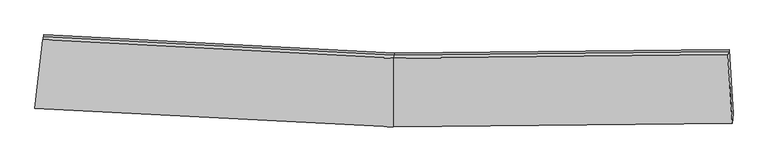
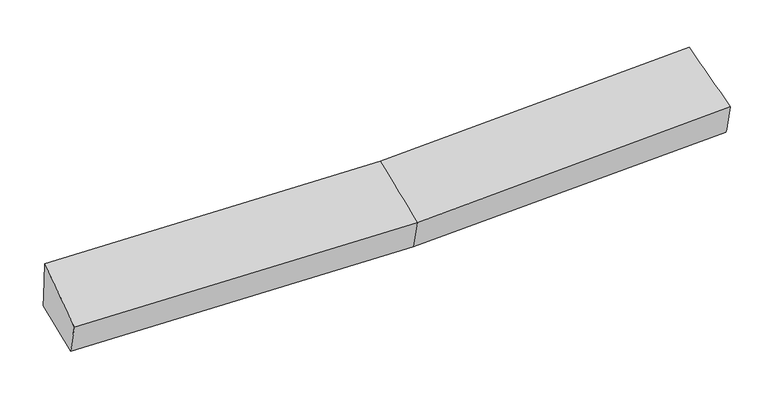
"""IFC4 building model written with IfcOpenShell, lengths in millimetres: proxy geometry."""

import ifcopenshell
import ifcopenshell.guid

model = None  # the IFC model being written
_history = None  # IfcOwnerHistory: only IFC2X3 demands one
_inside = {}  # id of a spatial element -> (the spatial element, [elements in it])
_under = {}  # id of a project, library or spatial element -> (it, [spatial elements below it])
_declared = {}  # id of a project -> (the project, [libraries it declares])
_typed = {}  # id of a type object -> (the type object, [elements of that type])
_made_of = {}  # id of a material, layer set ... -> (it, [elements and type objects made of it])


def new_model(schema):
    """Start an empty IFC model of exactly this schema.

    Asked for "IFC4X3", IfcOpenShell would pick the latest addendum, in which some entities
    have other attributes; the version numbers below select the first issue.
    IFC2X3 requires an IfcOwnerHistory on every rooted entity: one is made here for all.
    """
    global model, _history
    if schema == "IFC4X3":
        model = ifcopenshell.file(schema_version=(4, 3, 0, 0))
    else:
        model = ifcopenshell.file(schema=schema)
    _inside.clear()
    _under.clear()
    _declared.clear()
    _typed.clear()
    _made_of.clear()
    _history = None
    if model.schema == "IFC2X3":
        org = make("IfcOrganization", Name="unknown")
        user = make(
            "IfcPersonAndOrganization",
            ThePerson=make("IfcPerson", FamilyName="unknown"),
            TheOrganization=org,
        )
        app = make(
            "IfcApplication",
            ApplicationDeveloper=org,
            Version="unknown",
            ApplicationFullName="unknown",
            ApplicationIdentifier="unknown",
        )
        _history = make(
            "IfcOwnerHistory",
            OwningUser=user,
            OwningApplication=app,
            ChangeAction="ADDED",
            CreationDate=0,
        )
    return model


def make(cls, **values):
    """One entity of the class cls with the attributes given. An attribute that is None is left unset."""
    return model.create_entity(
        cls, **{name: value for name, value in values.items() if value is not None}
    )


def rooted(cls, **values):
    """An entity with a GlobalId (a new one), such as an element, a storey or a relation."""
    return make(cls, GlobalId=ifcopenshell.guid.new(), OwnerHistory=_history, **values)


def si_unit(unit_type, name, prefix=None):
    """IfcSIUnit, for example si_unit("LENGTHUNIT", "METRE", prefix="MILLI")."""
    return make("IfcSIUnit", UnitType=unit_type, Prefix=prefix, Name=name)


def assignment(units):
    """IfcUnitAssignment: the units of a project."""
    return None if units is None else make("IfcUnitAssignment", Units=units)


def point(xyz):
    """IfcCartesianPoint."""
    return None if xyz is None else make("IfcCartesianPoint", Coordinates=xyz)


def direction(xyz):
    """IfcDirection."""
    return None if xyz is None else make("IfcDirection", DirectionRatios=xyz)


def frame(location, z_axis=None, x_axis=None):
    """IfcAxis2Placement3D, a coordinate frame: its origin and axes. An axis left out is left unset."""
    return make(
        "IfcAxis2Placement3D",
        Location=point(location),
        Axis=direction(z_axis),
        RefDirection=direction(x_axis),
    )


def origin():
    """The frame at (0, 0, 0) with its axes left unset."""
    return frame((0.0, 0.0, 0.0))


def place(relative_to, where):
    """IfcLocalPlacement: puts the frame where relative to a parent placement (None: the world)."""
    return make(
        "IfcLocalPlacement", PlacementRelTo=relative_to, RelativePlacement=where
    )


def context(
    kind, dimensions, precision=None, world=None, true_north=None, identifier=None
):
    """IfcGeometricRepresentationContext, for example the 3D "Model" context."""
    return make(
        "IfcGeometricRepresentationContext",
        ContextIdentifier=identifier,
        ContextType=kind,
        CoordinateSpaceDimension=dimensions,
        Precision=precision,
        WorldCoordinateSystem=world,
        TrueNorth=true_north,
    )


def project(units=None, contexts=None):
    """IfcProject with its units and contexts."""
    return rooted(
        "IfcProject",
        Name="project",
        RepresentationContexts=contexts,
        UnitsInContext=assignment(units),
    )


def spatial(cls, under=None, at=None, **own):
    """A site, building, storey or space (cls), placed at a placement, below another one or the project."""
    s = rooted(cls, ObjectPlacement=at, **own)
    if under is not None:
        _under.setdefault(under.id(), (under, []))[1].append(s)
    return s


def shape(context_of_items, identifier, shape_type, items):
    """IfcShapeRepresentation: the items that make up one representation, for example the "Body"."""
    return make(
        "IfcShapeRepresentation",
        ContextOfItems=context_of_items,
        RepresentationIdentifier=identifier,
        RepresentationType=shape_type,
        Items=items,
    )


def source(mapping_origin, context_of_items, identifier, shape_type, items):
    """IfcRepresentationMap: a shape defined once, which mapped items show again and again."""
    return make(
        "IfcRepresentationMap",
        MappingOrigin=mapping_origin,
        MappedRepresentation=shape(context_of_items, identifier, shape_type, items),
    )


def transform(
    local_origin,
    x_axis=None,
    y_axis=None,
    z_axis=None,
    scale=None,
    scale2=None,
    scale3=None,
    uniform=True,
):
    """IfcCartesianTransformationOperator3D, or its non-uniform kind. x_axis, y_axis, z_axis: its Axis1, 2, 3."""
    if uniform:
        return make(
            "IfcCartesianTransformationOperator3D",
            Axis1=direction(x_axis),
            Axis2=direction(y_axis),
            LocalOrigin=point(local_origin),
            Scale=scale,
            Axis3=direction(z_axis),
        )
    return make(
        "IfcCartesianTransformationOperator3DnonUniform",
        Axis1=direction(x_axis),
        Axis2=direction(y_axis),
        LocalOrigin=point(local_origin),
        Scale=scale,
        Axis3=direction(z_axis),
        Scale2=scale2,
        Scale3=scale3,
    )


def mapped(mapping_source, mapping_target):
    """IfcMappedItem: shows the shape of a source again, moved by a transform."""
    return make(
        "IfcMappedItem", MappingSource=mapping_source, MappingTarget=mapping_target
    )


def made_of(thing, what):
    """Note that an element or type object is made of a material, layer set ...; save() writes the relation."""
    if what is not None:
        _made_of.setdefault(what.id(), (what, []))[1].append(thing)
    return thing


def element(
    cls,
    number,
    at=None,
    inside=None,
    cuts=None,
    type_object=None,
    material=None,
    context=None,
    identifier="Body",
    shape_type=None,
    held_by="IfcProductDefinitionShape",
    body=None,
    shapes=None,
    **own,
):
    """One element of the class cls, such as IfcWall. Its Tag is "e" and its number.

    at: its placement. inside: the storey or other place that contains it. cuts: it is an
    opening in that element (IfcRelVoidsElement). A single representation is given by context,
    identifier, shape_type and body (its items); several are given by shapes. held_by: the class
    of the entity that holds the representations. save() writes the other relations.
    """
    e = rooted(cls, Tag="e%d" % number, ObjectPlacement=at, **own)
    if body is not None:
        shapes = [shape(context, identifier, shape_type, body)]
    if shapes is not None:
        e.Representation = make(held_by, Representations=shapes)
    if inside is not None:
        _inside.setdefault(inside.id(), (inside, []))[1].append(e)
    if cuts is not None:
        rooted(
            "IfcRelVoidsElement", RelatingBuildingElement=cuts, RelatedOpeningElement=e
        )
    if type_object is not None:
        _typed.setdefault(type_object.id(), (type_object, []))[1].append(e)
    return made_of(e, material)


def aggregate(whole, parts):
    """IfcRelAggregates: a whole, such as a stair, and the parts it consists of."""
    return rooted("IfcRelAggregates", RelatingObject=whole, RelatedObjects=parts)


def save(model, path):
    """Write the relations noted so far, then the file.

    IfcRelAggregates (storeys below a building ...), IfcRelContainedInSpatialStructure (elements
    in a storey), IfcRelDefinesByType, IfcRelAssociatesMaterial and IfcRelDeclares: one each for
    every whole, place, type object, material and project.
    """
    for whole, parts in _under.values():
        aggregate(whole, parts)
    for where, things in _inside.values():
        rooted(
            "IfcRelContainedInSpatialStructure",
            RelatedElements=things,
            RelatingStructure=where,
        )
    for kind, things in _typed.values():
        rooted("IfcRelDefinesByType", RelatedObjects=things, RelatingType=kind)
    for what, things in _made_of.values():
        rooted("IfcRelAssociatesMaterial", RelatedObjects=things, RelatingMaterial=what)
    for by, libraries in _declared.values():
        rooted("IfcRelDeclares", RelatingContext=by, RelatedDefinitions=libraries)
    model.write(path)


def plane_surface(at):
    """IfcPlane: the flat surface through the origin of the frame at, square to its z axis."""
    return make("IfcPlane", Position=at)


def spline_surface(u_degree, v_degree, points, u_multiplicities, v_multiplicities, u_knots, v_knots, weights=None):
    """IfcBSplineSurfaceWithKnots; with weights, IfcRationalBSplineSurfaceWithKnots. points: one row for each step in u."""
    own = dict(
        UDegree=u_degree,
        VDegree=v_degree,
        ControlPointsList=[[point(p) for p in row] for row in points],
        SurfaceForm="UNSPECIFIED",
        UClosed=False,
        VClosed=False,
        SelfIntersect=False,
        UMultiplicities=u_multiplicities,
        VMultiplicities=v_multiplicities,
        UKnots=u_knots,
        VKnots=v_knots,
        KnotSpec="UNSPECIFIED",
    )
    if weights is None:
        return make("IfcBSplineSurfaceWithKnots", **own)
    return make("IfcRationalBSplineSurfaceWithKnots", WeightsData=weights, **own)


def advanced_brep(points, edges, surfaces, faces):
    """IfcAdvancedBrep: a solid bounded by faces that lie on surfaces and meet in shared edges.

    An edge is (start, end): straight between two places in points (the first is 0);
    or (start, end, curve); or (start, end, curve, False) where it runs against its curve.
    A face is (place in surfaces, loops), or (place, loops, False) where it looks against
    its surface's normal. A loop lists edges by number (the first is 1), with a minus sign
    where the edge is run from its end to its start. The first loop is the outer one.
    """
    corners = [point(p) for p in points]
    vertices = [make("IfcVertexPoint", VertexGeometry=c) for c in corners]
    made = []
    for start, end, *more in edges:
        made.append(
            make(
                "IfcEdgeCurve",
                EdgeStart=vertices[start],
                EdgeEnd=vertices[end],
                EdgeGeometry=more[0] if more else make("IfcPolyline", Points=[corners[start], corners[end]]),
                SameSense=more[1] if len(more) > 1 else True,
            )
        )
    hull = []
    for where, loops, *sense in faces:
        bounds = []
        for j, loop in enumerate(loops):
            ring = [make("IfcOrientedEdge", EdgeElement=made[abs(k) - 1], Orientation=k > 0) for k in loop]
            bounds.append(
                make(
                    "IfcFaceOuterBound" if j == 0 else "IfcFaceBound",
                    Bound=make("IfcEdgeLoop", EdgeList=ring),
                    Orientation=True,
                )
            )
        hull.append(make("IfcAdvancedFace", Bounds=bounds, FaceSurface=surfaces[where], SameSense=sense[0] if sense else True))
    return make("IfcAdvancedBrep", Outer=make("IfcClosedShell", CfsFaces=hull))


def generic_models_aca58f39(model_context):
    return source(origin(), model_context, "Body", "AdvancedBrep", [
        advanced_brep(
        [(-3894.8555829, -1955.1475705, 2025.8293044), (-3878.9798906, -1850.6135657, 1656.3964086), (59.9557115, -2058.545101, 1711.6920223), (49.1133942, -2163.4045452, 2081.2146893), (-3795.8904871, -1144.48306, 1769.868255), (64.4836841, -1347.3351052, 1823.7627113), (-3799.7629941, -1166.2426179, 1908.1126955), (60.6111771, -1369.0946631, 1962.0071518), (-3807.7536357, -1200.2248354, 2333.8957174), (49.035781, -1402.8451038, 2387.7262389), (3744.0769198, -1328.1095759, 2066.5760172), (3730.0047536, -1364.2347498, 2507.0418679), (3780.7122005, -2123.7398915, 2202.1145085), (3789.0462793, -2016.6099369, 1817.6884728), (3747.9494268, -1306.350018, 1928.3315767)],
        [
            (0, 1),
            (1, 2),
            (2, 3),
            (3, 0),
            (1, 4),
            (4, 5),
            (5, 1),
            (4, 6),
            (6, 7),
            (7, 5),
            (6, 8),
            (8, 9),
            (9, 7),
            (8, 0),
            (3, 9),
            (10, 11),
            (11, 12),
            (12, 13),
            (13, 14),
            (14, 10),
            (5, 2),
            (9, 11),
            (10, 7),
            (3, 12),
            (2, 13),
            (5, 14),
        ],
        [
            spline_surface(1, 1, [[(-3894.8555829, -1955.1475705, 2025.8293044), (49.1133942, -2163.4045452, 2081.2146893)], [(-3878.9798906, -1850.6135657, 1656.3964086), (59.9557115, -2058.545101, 1711.6920223)]], [2, 2], [2, 2], [0.0, 1.0], [0.0, 1.0]),
            plane_surface(frame((-3837.4351888, -1497.5483128, 1713.1323318), z_axis=(0.021988938089355307, 0.15609865761762146, -0.9874966813572993), x_axis=(0.11540194938752904, 0.9807368134723179, 0.1575997867312077))),
            plane_surface(frame((-3797.8267406, -1155.3628389, 1838.9904753), z_axis=(0.04964591924261734, 0.9864056121326251, 0.15665009114525574), x_axis=(-0.027660764350824762, -0.1554254136031891, 0.9874602892885394))),
            spline_surface(1, 1, [[(-3799.7629941, -1166.2426179, 1908.1126955), (60.6111771, -1369.0946631, 1962.0071518)], [(-3807.7536357, -1200.2248354, 2333.8957174), (49.035781, -1402.8451038, 2387.7262389)]], [2, 2], [2, 2], [0.0, 1.0], [0.0, 1.0]),
            spline_surface(1, 1, [[(-3807.7536357, -1200.2248354, 2333.8957174), (49.035781, -1402.8451038, 2387.7262389)], [(-3894.8555829, -1955.1475705, 2025.8293044), (49.1133942, -2163.4045452, 2081.2146893)]], [2, 2], [2, 2], [0.0, 1.0], [0.0, 1.0]),
            plane_surface(frame((3758.357916, -1627.8088344, 2104.3504886), z_axis=(0.9979864098409528, 0.052112551505015245, 0.036158093815949824), x_axis=(-0.03182532814046196, -0.08169996713435441, 0.9961487157342509))),
            plane_surface(frame((-3835.4485181, -1463.3423299, 1938.8204762), z_axis=(-0.992933669583763, 0.11831417288921461, -0.00919153417358358), x_axis=(0.10622188679638013, 0.9206374818184279, 0.375690747605582))),
            plane_surface(frame((-3878.9798906, -1850.6135657, 1656.3964086), z_axis=(0.022071718637725144, 0.1554817751355448, -0.9875921510608907), x_axis=(0.006288850758805993, 0.9877916608482513, 0.1556537346637937))),
            spline_surface(1, 1, [[(60.6111771, -1369.0946631, 1962.0071518), (3744.0769198, -1328.1095759, 2066.5760172)], [(49.035781, -1402.8451038, 2387.7262389), (3730.0047536, -1364.2347498, 2507.0418679)]], [2, 2], [2, 2], [0.0, 1.0], [0.0, 1.0]),
            spline_surface(1, 1, [[(49.035781, -1402.8451038, 2387.7262389), (3730.0047536, -1364.2347498, 2507.0418679)], [(49.1133942, -2163.4045452, 2081.2146893), (3780.7122005, -2123.7398915, 2202.1145085)]], [2, 2], [2, 2], [0.0, 1.0], [0.0, 1.0]),
            spline_surface(1, 1, [[(49.1133942, -2163.4045452, 2081.2146893), (3780.7122005, -2123.7398915, 2202.1145085)], [(59.9557115, -2058.545101, 1711.6920223), (3789.0462793, -2016.6099369, 1817.6884728)]], [2, 2], [2, 2], [0.0, 1.0], [0.0, 1.0]),
            spline_surface(1, 1, [[(59.9557115, -2058.545101, 1711.6920223), (3789.0462793, -2016.6099369, 1817.6884728)], [(64.4836841, -1347.3351052, 1823.7627113), (3747.9494268, -1306.350018, 1928.3315767)]], [2, 2], [2, 2], [0.0, 1.0], [0.0, 1.0]),
            plane_surface(frame((62.5474306, -1358.2148841, 1892.8849316), z_axis=(-0.015392434985733363, 0.987787374218796, 0.1550457231888269), x_axis=(-0.027660764350948896, -0.1554254136031421, 0.9874602892885432))),
        ],
        [
            (0, [[1, 2, 3, 4]]),
            (1, [[5, 6, 7]]),
            (2, [[8, 9, 10, -6]]),
            (3, [[11, 12, 13, -9]]),
            (4, [[14, -4, 15, -12]]),
            (5, [[16, 17, 18, 19, 20]]),
            (6, [[-14, -11, -8, -5, -1]]),
            (7, [[21, -2, -7]]),
            (8, [[-13, 22, -16, 23]]),
            (9, [[-15, 24, -17, -22]]),
            (10, [[-3, 25, -18, -24]]),
            (11, [[-21, 26, -19, -25]]),
            (12, [[-10, -23, -20, -26]]),
        ],
    ),
    ])


if __name__ == "__main__":
    model = new_model("IFC4")
    model_context = context("Model", 3, world=origin())
    ifc_project = project(units=[si_unit("LENGTHUNIT", "METRE", prefix="MILLI")], contexts=[model_context])
    site = spatial("IfcSite", under=ifc_project)
    building = spatial("IfcBuilding", under=site)
    placement = place(None, origin())
    generic_models_shape = generic_models_aca58f39(model_context)
    element("IfcBuildingElementProxy", 1, Name="Generic Models", at=placement, inside=building, context=model_context, shape_type="MappedRepresentation", body=[
        mapped(generic_models_shape, transform((0.0, 0.0, 0.0), x_axis=(1.0, 0.0, 0.0), y_axis=(0.0, 1.0, 0.0), z_axis=(0.0, 0.0, 1.0))),
    ])
    save(model, "model.ifc")
